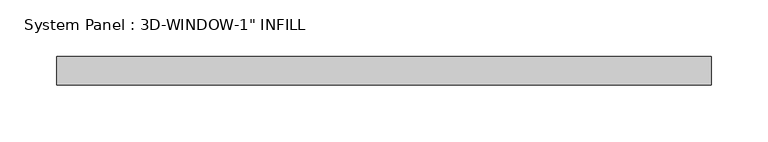
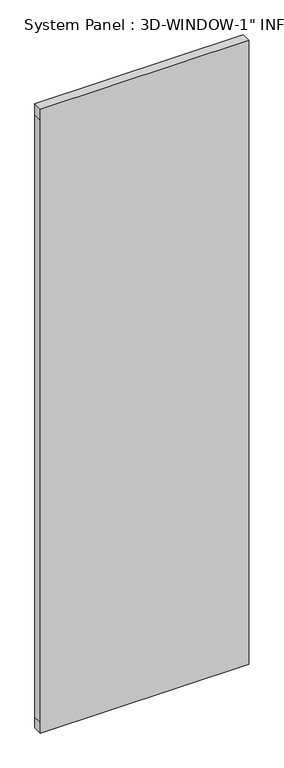
"""IFC4 building model written with IfcOpenShell, lengths in millimetres: plate geometry."""

from ifc_helpers import new_model, si_unit, frame, origin, place, context, project, spatial, polyline, outline, extrude, source, transform, mapped, element, save


def plate_10c53a9f(model_context):
    return source(origin(), model_context, "Body", "SweptSolid", [
        extrude(outline(polyline([(0.0, -288.925), (0.0, 288.925), (31.75, 288.925), (1797.05, 288.925), (1828.8, 288.925), (1828.8, -288.925), (1797.05, -288.925), (31.75, -288.925), (0.0, -288.925)])), frame((0.0, -71.6359375, 0.0), z_axis=(0.0, 1.0, 0.0), x_axis=(0.0, 0.0, 1.0)), (0.0, 0.0, 1.0), 25.4),
    ])


if __name__ == "__main__":
    model = new_model("IFC4")
    model_context = context("Model", 3, world=origin())
    ifc_project = project(units=[si_unit("LENGTHUNIT", "METRE", prefix="MILLI")], contexts=[model_context])
    site = spatial("IfcSite", under=ifc_project)
    building = spatial("IfcBuilding", under=site)
    placement = place(None, origin())
    plate_shape = plate_10c53a9f(model_context)
    element("IfcPlate", 1, ObjectType="System Panel : 3D-WINDOW-1\" INFILL", at=placement, inside=building, context=model_context, shape_type="MappedRepresentation", body=[
        mapped(plate_shape, transform((0.0, 0.0, 0.0), x_axis=(1.0, 0.0, 0.0), y_axis=(0.0, 1.0, 0.0), z_axis=(0.0, 0.0, 1.0))),
    ])
    save(model, "model.ifc")
